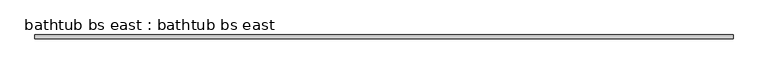
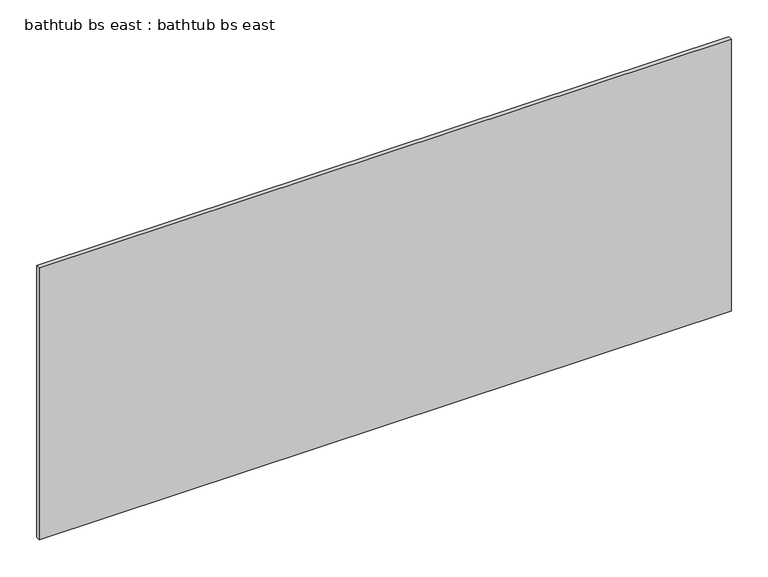
"""IFC4 building model written with IfcOpenShell, lengths in millimetres: proxy geometry, bathtub bs east : bathtub bs east."""

from ifc_helpers import new_model, si_unit, frame, origin, place, context, project, spatial, polyline, outline, extrude, source, transform, mapped, element, save


def bathtub_bs_east_bathtub_bs_east_d97785c9(model_context):
    return source(origin(), model_context, "Body", "SweptSolid", [
        extrude(outline(polyline([(-7340.8824183, 8028.2251285), (-8429.7323603, 8028.2251285), (-8429.7323603, 8034.5751285), (-7340.8824183, 8034.5751285), (-7340.8824183, 8028.2251285)])), frame((0.0, 0.0, 3535.4259746), z_axis=(0.0, 0.0, 1.0), x_axis=(1.0, 0.0, 0.0)), (0.0, 0.0, 1.0), 452.3740254),
    ])


if __name__ == "__main__":
    model = new_model("IFC4")
    model_context = context("Model", 3, world=origin())
    ifc_project = project(units=[si_unit("LENGTHUNIT", "METRE", prefix="MILLI")], contexts=[model_context])
    site = spatial("IfcSite", under=ifc_project)
    building = spatial("IfcBuilding", under=site)
    placement = place(None, origin())
    bathtub_bs_east_bathtub_bs_east_shape = bathtub_bs_east_bathtub_bs_east_d97785c9(model_context)
    element("IfcBuildingElementProxy", 1, Name="bathtub bs east : bathtub bs east", ObjectType="bathtub bs east : bathtub bs east", at=placement, inside=building, context=model_context, shape_type="MappedRepresentation", body=[
        mapped(bathtub_bs_east_bathtub_bs_east_shape, transform((0.0, 0.0, 0.0), x_axis=(1.0, 0.0, 0.0), y_axis=(0.0, 1.0, 0.0), z_axis=(0.0, 0.0, 1.0))),
    ])
    save(model, "model.ifc")
